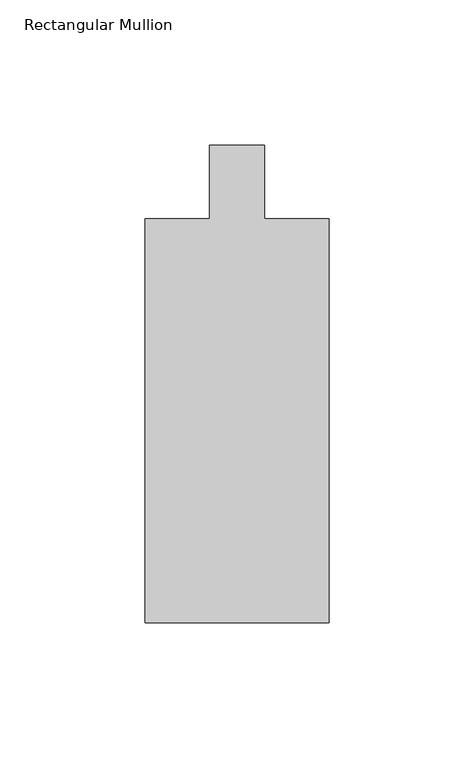
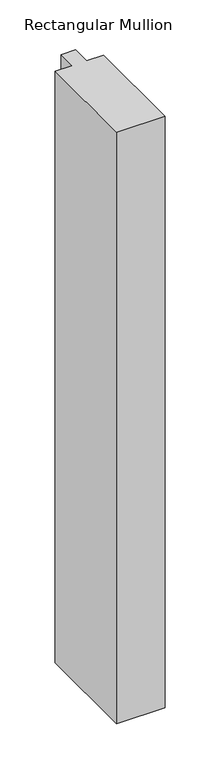
"""IFC4 building model written with IfcOpenShell, lengths in millimetres: member geometry, Rectangular Mullion."""

from ifc_helpers import new_model, si_unit, frame, origin, place, context, project, spatial, polyline, outline, extrude, source, transform, mapped, element, save


def rectangular_mullion_a4417900(model_context):
    return source(origin(), model_context, "Body", "SweptSolid", [
        extrude(outline(polyline([(31.7500214, -12.7126936), (31.7500061, -151.9039676), (-31.7486016, -151.9039606), (-31.7485862, -12.7107227), (-9.524418, -12.7107252), (-9.5244152, 12.7100972), (9.5255848, 12.7100951), (9.525582, -12.7126911), (31.7500214, -12.7126936)])), frame((0.0, 0.0, -819.150004), z_axis=(0.0, 0.0, 1.0), x_axis=(1.0, 0.0, 0.0)), (0.0, 0.0, 1.0), 819.150004),
    ])


if __name__ == "__main__":
    model = new_model("IFC4")
    model_context = context("Model", 3, world=origin())
    ifc_project = project(units=[si_unit("LENGTHUNIT", "METRE", prefix="MILLI")], contexts=[model_context])
    site = spatial("IfcSite", under=ifc_project)
    building = spatial("IfcBuilding", under=site)
    placement = place(None, origin())
    rectangular_mullion_shape = rectangular_mullion_a4417900(model_context)
    element("IfcMember", 1, ObjectType="Rectangular Mullion", at=placement, inside=building, context=model_context, shape_type="MappedRepresentation", body=[
        mapped(rectangular_mullion_shape, transform((0.0, 0.0, 0.0), x_axis=(1.0, 0.0, 0.0), y_axis=(0.0, 1.0, 0.0), z_axis=(0.0, 0.0, 1.0))),
    ])
    save(model, "model.ifc")
